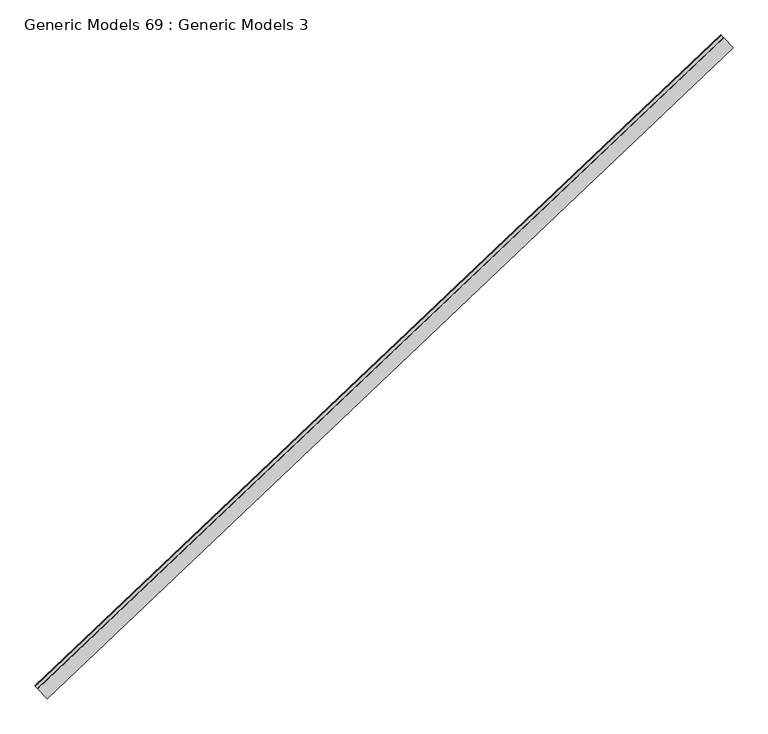
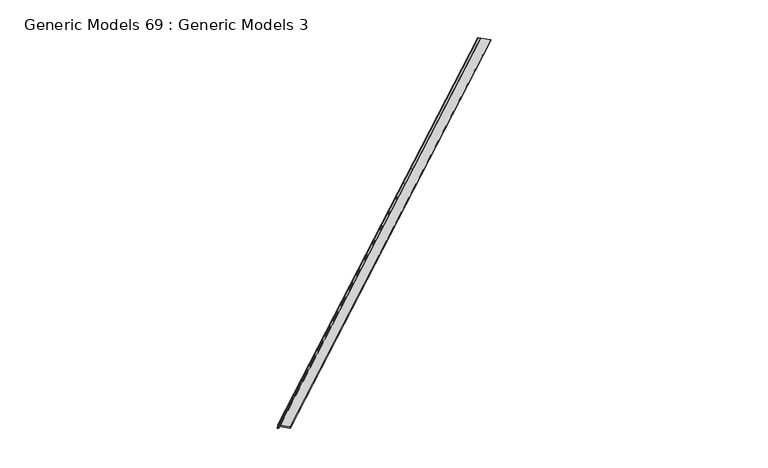
"""IFC4 building model written with IfcOpenShell, lengths in millimetres: proxy geometry, Generic Models 69 : Generic Models 3."""

import ifcopenshell
import ifcopenshell.guid

model = None  # the IFC model being written
_history = None  # IfcOwnerHistory: only IFC2X3 demands one
_inside = {}  # id of a spatial element -> (the spatial element, [elements in it])
_under = {}  # id of a project, library or spatial element -> (it, [spatial elements below it])
_declared = {}  # id of a project -> (the project, [libraries it declares])
_typed = {}  # id of a type object -> (the type object, [elements of that type])
_made_of = {}  # id of a material, layer set ... -> (it, [elements and type objects made of it])


def new_model(schema):
    """Start an empty IFC model of exactly this schema.

    Asked for "IFC4X3", IfcOpenShell would pick the latest addendum, in which some entities
    have other attributes; the version numbers below select the first issue.
    IFC2X3 requires an IfcOwnerHistory on every rooted entity: one is made here for all.
    """
    global model, _history
    if schema == "IFC4X3":
        model = ifcopenshell.file(schema_version=(4, 3, 0, 0))
    else:
        model = ifcopenshell.file(schema=schema)
    _inside.clear()
    _under.clear()
    _declared.clear()
    _typed.clear()
    _made_of.clear()
    _history = None
    if model.schema == "IFC2X3":
        org = make("IfcOrganization", Name="unknown")
        user = make(
            "IfcPersonAndOrganization",
            ThePerson=make("IfcPerson", FamilyName="unknown"),
            TheOrganization=org,
        )
        app = make(
            "IfcApplication",
            ApplicationDeveloper=org,
            Version="unknown",
            ApplicationFullName="unknown",
            ApplicationIdentifier="unknown",
        )
        _history = make(
            "IfcOwnerHistory",
            OwningUser=user,
            OwningApplication=app,
            ChangeAction="ADDED",
            CreationDate=0,
        )
    return model


def make(cls, **values):
    """One entity of the class cls with the attributes given. An attribute that is None is left unset."""
    return model.create_entity(
        cls, **{name: value for name, value in values.items() if value is not None}
    )


def rooted(cls, **values):
    """An entity with a GlobalId (a new one), such as an element, a storey or a relation."""
    return make(cls, GlobalId=ifcopenshell.guid.new(), OwnerHistory=_history, **values)


def si_unit(unit_type, name, prefix=None):
    """IfcSIUnit, for example si_unit("LENGTHUNIT", "METRE", prefix="MILLI")."""
    return make("IfcSIUnit", UnitType=unit_type, Prefix=prefix, Name=name)


def assignment(units):
    """IfcUnitAssignment: the units of a project."""
    return None if units is None else make("IfcUnitAssignment", Units=units)


def point(xyz):
    """IfcCartesianPoint."""
    return None if xyz is None else make("IfcCartesianPoint", Coordinates=xyz)


def direction(xyz):
    """IfcDirection."""
    return None if xyz is None else make("IfcDirection", DirectionRatios=xyz)


def frame(location, z_axis=None, x_axis=None):
    """IfcAxis2Placement3D, a coordinate frame: its origin and axes. An axis left out is left unset."""
    return make(
        "IfcAxis2Placement3D",
        Location=point(location),
        Axis=direction(z_axis),
        RefDirection=direction(x_axis),
    )


def frame_2d(location, x_axis=None):
    """IfcAxis2Placement2D, a coordinate frame in the plane: its origin and x axis."""
    return make(
        "IfcAxis2Placement2D", Location=point(location), RefDirection=direction(x_axis)
    )


def origin():
    """The frame at (0, 0, 0) with its axes left unset."""
    return frame((0.0, 0.0, 0.0))


def place(relative_to, where):
    """IfcLocalPlacement: puts the frame where relative to a parent placement (None: the world)."""
    return make(
        "IfcLocalPlacement", PlacementRelTo=relative_to, RelativePlacement=where
    )


def context(
    kind, dimensions, precision=None, world=None, true_north=None, identifier=None
):
    """IfcGeometricRepresentationContext, for example the 3D "Model" context."""
    return make(
        "IfcGeometricRepresentationContext",
        ContextIdentifier=identifier,
        ContextType=kind,
        CoordinateSpaceDimension=dimensions,
        Precision=precision,
        WorldCoordinateSystem=world,
        TrueNorth=true_north,
    )


def project(units=None, contexts=None):
    """IfcProject with its units and contexts."""
    return rooted(
        "IfcProject",
        Name="project",
        RepresentationContexts=contexts,
        UnitsInContext=assignment(units),
    )


def spatial(cls, under=None, at=None, **own):
    """A site, building, storey or space (cls), placed at a placement, below another one or the project."""
    s = rooted(cls, ObjectPlacement=at, **own)
    if under is not None:
        _under.setdefault(under.id(), (under, []))[1].append(s)
    return s


def polyline(points):
    """IfcPolyline through the points."""
    return make("IfcPolyline", Points=[point(p) for p in points])


def circle_curve(where, radius):
    """IfcCircle in the frame where."""
    return make("IfcCircle", Position=where, Radius=radius)


def trimmed(basis, trim1, trim2, sense, master):
    """IfcTrimmedCurve: the piece of a basis curve between two trims."""
    return make(
        "IfcTrimmedCurve",
        BasisCurve=basis,
        Trim1=trim1,
        Trim2=trim2,
        SenseAgreement=sense,
        MasterRepresentation=master,
    )


def segment(curve, same_sense, transition):
    """IfcCompositeCurveSegment."""
    return make(
        "IfcCompositeCurveSegment",
        Transition=transition,
        SameSense=same_sense,
        ParentCurve=curve,
    )


def composite_curve(segments, self_intersect=None):
    """IfcCompositeCurve: segments joined end to end."""
    return make("IfcCompositeCurve", Segments=segments, SelfIntersect=self_intersect)


def outline(outer, holes=None, kind="AREA"):
    """IfcArbitraryClosedProfileDef: a profile drawn as a closed curve; with holes, ...WithVoids."""
    if holes is None:
        return make("IfcArbitraryClosedProfileDef", ProfileType=kind, OuterCurve=outer)
    return make(
        "IfcArbitraryProfileDefWithVoids",
        ProfileType=kind,
        OuterCurve=outer,
        InnerCurves=holes,
    )


def extrude(swept, where, along, depth):
    """IfcExtrudedAreaSolid: the profile swept, set in the frame where, extruded along a direction by depth."""
    return make(
        "IfcExtrudedAreaSolid",
        SweptArea=swept,
        Position=where,
        ExtrudedDirection=direction(along),
        Depth=depth,
    )


def shape(context_of_items, identifier, shape_type, items):
    """IfcShapeRepresentation: the items that make up one representation, for example the "Body"."""
    return make(
        "IfcShapeRepresentation",
        ContextOfItems=context_of_items,
        RepresentationIdentifier=identifier,
        RepresentationType=shape_type,
        Items=items,
    )


def source(mapping_origin, context_of_items, identifier, shape_type, items):
    """IfcRepresentationMap: a shape defined once, which mapped items show again and again."""
    return make(
        "IfcRepresentationMap",
        MappingOrigin=mapping_origin,
        MappedRepresentation=shape(context_of_items, identifier, shape_type, items),
    )


def transform(
    local_origin,
    x_axis=None,
    y_axis=None,
    z_axis=None,
    scale=None,
    scale2=None,
    scale3=None,
    uniform=True,
):
    """IfcCartesianTransformationOperator3D, or its non-uniform kind. x_axis, y_axis, z_axis: its Axis1, 2, 3."""
    if uniform:
        return make(
            "IfcCartesianTransformationOperator3D",
            Axis1=direction(x_axis),
            Axis2=direction(y_axis),
            LocalOrigin=point(local_origin),
            Scale=scale,
            Axis3=direction(z_axis),
        )
    return make(
        "IfcCartesianTransformationOperator3DnonUniform",
        Axis1=direction(x_axis),
        Axis2=direction(y_axis),
        LocalOrigin=point(local_origin),
        Scale=scale,
        Axis3=direction(z_axis),
        Scale2=scale2,
        Scale3=scale3,
    )


def mapped(mapping_source, mapping_target):
    """IfcMappedItem: shows the shape of a source again, moved by a transform."""
    return make(
        "IfcMappedItem", MappingSource=mapping_source, MappingTarget=mapping_target
    )


def made_of(thing, what):
    """Note that an element or type object is made of a material, layer set ...; save() writes the relation."""
    if what is not None:
        _made_of.setdefault(what.id(), (what, []))[1].append(thing)
    return thing


def element(
    cls,
    number,
    at=None,
    inside=None,
    cuts=None,
    type_object=None,
    material=None,
    context=None,
    identifier="Body",
    shape_type=None,
    held_by="IfcProductDefinitionShape",
    body=None,
    shapes=None,
    **own,
):
    """One element of the class cls, such as IfcWall. Its Tag is "e" and its number.

    at: its placement. inside: the storey or other place that contains it. cuts: it is an
    opening in that element (IfcRelVoidsElement). A single representation is given by context,
    identifier, shape_type and body (its items); several are given by shapes. held_by: the class
    of the entity that holds the representations. save() writes the other relations.
    """
    e = rooted(cls, Tag="e%d" % number, ObjectPlacement=at, **own)
    if body is not None:
        shapes = [shape(context, identifier, shape_type, body)]
    if shapes is not None:
        e.Representation = make(held_by, Representations=shapes)
    if inside is not None:
        _inside.setdefault(inside.id(), (inside, []))[1].append(e)
    if cuts is not None:
        rooted(
            "IfcRelVoidsElement", RelatingBuildingElement=cuts, RelatedOpeningElement=e
        )
    if type_object is not None:
        _typed.setdefault(type_object.id(), (type_object, []))[1].append(e)
    return made_of(e, material)


def aggregate(whole, parts):
    """IfcRelAggregates: a whole, such as a stair, and the parts it consists of."""
    return rooted("IfcRelAggregates", RelatingObject=whole, RelatedObjects=parts)


def save(model, path):
    """Write the relations noted so far, then the file.

    IfcRelAggregates (storeys below a building ...), IfcRelContainedInSpatialStructure (elements
    in a storey), IfcRelDefinesByType, IfcRelAssociatesMaterial and IfcRelDeclares: one each for
    every whole, place, type object, material and project.
    """
    for whole, parts in _under.values():
        aggregate(whole, parts)
    for where, things in _inside.values():
        rooted(
            "IfcRelContainedInSpatialStructure",
            RelatedElements=things,
            RelatingStructure=where,
        )
    for kind, things in _typed.values():
        rooted("IfcRelDefinesByType", RelatedObjects=things, RelatingType=kind)
    for what, things in _made_of.values():
        rooted("IfcRelAssociatesMaterial", RelatedObjects=things, RelatingMaterial=what)
    for by, libraries in _declared.values():
        rooted("IfcRelDeclares", RelatingContext=by, RelatedDefinitions=libraries)
    model.write(path)


def generic_models_69_generic_models_3_a470bdf6(model_context):
    return source(origin(), model_context, "Body", "SweptSolid", [
        extrude(outline(composite_curve([segment(trimmed(circle_curve(frame_2d((-28.0699113, 6.35)), 19.0236237), [point((-15.3699114, -7.8136245))], [point((-40.7699114, -7.8136245))], False, "CARTESIAN"), True, "CONTINUOUS"), segment(trimmed(circle_curve(frame_2d((-53.4699114, 6.35)), 19.0236237), [point((-40.7699114, -7.8136245))], [point((-66.1699114, -7.8136245))], False, "CARTESIAN"), True, "CONTINUOUS"), segment(trimmed(circle_curve(frame_2d((-78.8699114, 6.35)), 19.0236237), [point((-66.1699114, -7.8136245))], [point((-91.5699114, -7.8136245))], False, "CARTESIAN"), True, "CONTINUOUS"), segment(trimmed(circle_curve(frame_2d((-104.2699114, 6.35)), 19.0236237), [point((-91.5699114, -7.8136245))], [point((-116.9699114, -7.8136245))], False, "CARTESIAN"), True, "CONTINUOUS"), segment(trimmed(circle_curve(frame_2d((-129.6699114, 6.35)), 19.0236237), [point((-116.9699114, -7.8136245))], [point((-142.3699114, -7.8136245))], False, "CARTESIAN"), True, "CONTINUOUS"), segment(trimmed(circle_curve(frame_2d((-155.0699114, 6.35)), 19.0236237), [point((-142.3699114, -7.8136245))], [point((-167.7699114, -7.8136245))], False, "CARTESIAN"), True, "CONTINUOUS"), segment(trimmed(circle_curve(frame_2d((-180.4699114, 6.35)), 19.0236237), [point((-167.7699114, -7.8136245))], [point((-193.1699114, -7.8136245))], False, "CARTESIAN"), True, "CONTINUOUS"), segment(trimmed(circle_curve(frame_2d((-205.8699114, 6.35)), 19.0236237), [point((-193.1699114, -7.8136245))], [point((-218.5699114, -7.8136245))], False, "CARTESIAN"), True, "CONTINUOUS"), segment(trimmed(circle_curve(frame_2d((-231.2699114, 6.35)), 19.0236237), [point((-218.5699114, -7.8136245))], [point((-243.9699113, -7.8136245))], False, "CARTESIAN"), True, "CONTINUOUS"), segment(trimmed(circle_curve(frame_2d((-256.6699114, 6.35)), 19.0236237), [point((-243.9699113, -7.8136245))], [point((-269.3699114, -7.8136245))], False, "CARTESIAN"), True, "CONTINUOUS"), segment(trimmed(circle_curve(frame_2d((-282.0699114, 6.35)), 19.0236237), [point((-269.3699114, -7.8136245))], [point((-294.7699114, -7.8136245))], False, "CARTESIAN"), True, "CONTINUOUS"), segment(trimmed(circle_curve(frame_2d((-307.4699114, 6.35)), 19.0236237), [point((-294.7699114, -7.8136245))], [point((-315.8861237, -10.7106456))], False, "CARTESIAN"), True, "CONTINUOUS"), segment(polyline([(-315.8861237, -10.7106456), (-315.8861237, 25.4263763), (-57.1221149, 25.4263763)]), True, "CONTINUOUS"), segment(trimmed(circle_curve(frame_2d((-49.5996789, 26.7070491)), 7.6306728), [point((-57.1221149, 25.4263763))], [point((-49.5996789, 19.0763763))], True, "CARTESIAN"), True, "CONTINUOUS"), segment(polyline([(-49.5996789, 19.0763763), (5.0957035, 19.0763763)]), True, "CONTINUOUS"), segment(trimmed(circle_curve(frame_2d((5.0957035, 11.4457035)), 7.6306728), [point((5.0957035, 19.0763763))], [point((12.7263763, 11.4457035))], False, "CARTESIAN"), True, "CONTINUOUS"), segment(polyline([(12.7263763, 11.4457035), (12.7263763, -43.2496789)]), True, "CONTINUOUS"), segment(trimmed(circle_curve(frame_2d((20.3570491, -43.2496789)), 7.6306728), [point((12.7263763, -43.2496789))], [point((19.0763762, -50.7721149))], True, "CARTESIAN"), True, "CONTINUOUS"), segment(polyline([(19.0763762, -50.7721149), (19.0763762, -82.5236237), (-14.1636245, -82.5236237)]), True, "CONTINUOUS"), segment(trimmed(circle_curve(frame_2d((0.0, -69.8236237)), 19.0236237), [point((-14.1636245, -82.5236237))], [point((-14.1636245, -57.1236237))], False, "CARTESIAN"), True, "CONTINUOUS"), segment(trimmed(circle_curve(frame_2d((0.0, -44.4236237)), 19.0236237), [point((-14.1636245, -57.1236237))], [point((-14.1636245, -31.7236237))], False, "CARTESIAN"), True, "CONTINUOUS"), segment(trimmed(circle_curve(frame_2d((0.0, -19.0236237)), 19.0236237), [point((-14.1636245, -31.7236237))], [point((-15.3699114, -7.8136245))], False, "CARTESIAN"), True, "CONTINUOUS")], self_intersect=False)), frame((101890.3019022, 42377.9209033, 17779.9736237), z_axis=(0.7253743710122986, 0.6883545756937424, 0.0), x_axis=(-0.6883545756937424, 0.7253743710122986, 0.0)), (0.0, 0.0, 1.0), 17560.925),
    ])


if __name__ == "__main__":
    model = new_model("IFC4")
    model_context = context("Model", 3, world=origin())
    ifc_project = project(units=[si_unit("LENGTHUNIT", "METRE", prefix="MILLI")], contexts=[model_context])
    site = spatial("IfcSite", under=ifc_project)
    building = spatial("IfcBuilding", under=site)
    placement = place(None, origin())
    generic_models_69_generic_models_3_shape = generic_models_69_generic_models_3_a470bdf6(model_context)
    element("IfcBuildingElementProxy", 1, Name="Generic Models 69 : Generic Models 3", ObjectType="Generic Models 69 : Generic Models 3", at=placement, inside=building, context=model_context, shape_type="MappedRepresentation", body=[
        mapped(generic_models_69_generic_models_3_shape, transform((0.0, 0.0, 0.0), x_axis=(1.0, 0.0, 0.0), y_axis=(0.0, 1.0, 0.0), z_axis=(0.0, 0.0, 1.0))),
    ])
    save(model, "model.ifc")
